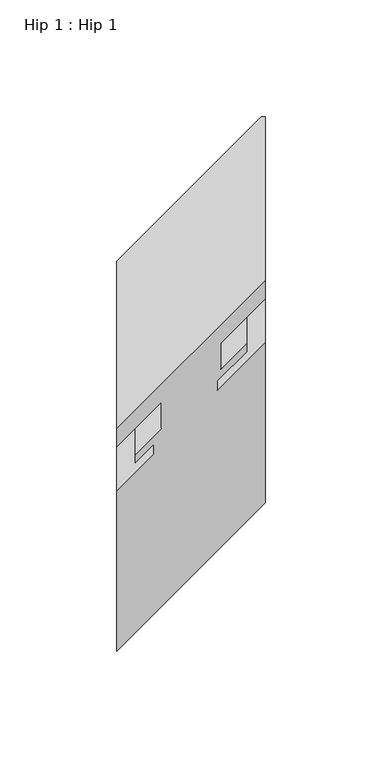
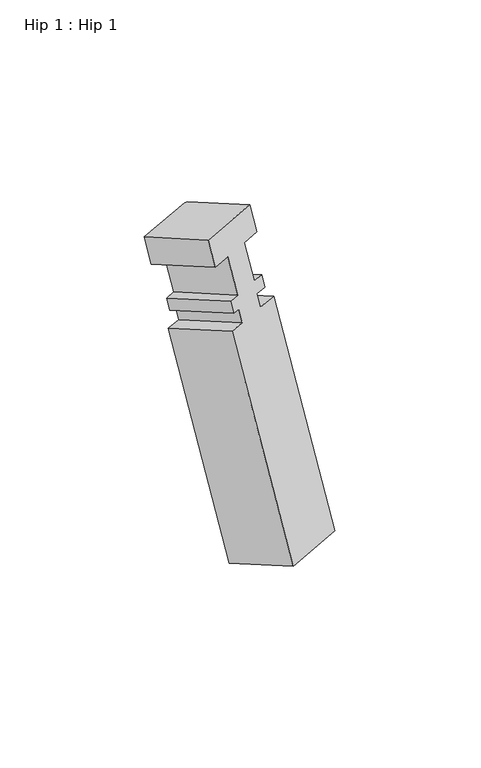
"""IFC4 building model written with IfcOpenShell, lengths in millimetres: proxy geometry, Hip 1 : Hip 1."""

from ifc_helpers import new_model, si_unit, origin, place, context, project, spatial, faceted_brep, source, transform, mapped, element, save


def hip_1_hip_1_4f1bbb03(model_context):
    return source(origin(), model_context, "Body", "Brep", [
        faceted_brep([(15411.1939788, 14576.1098904, 949.4438947), (15409.4408846, 14576.1098904, 949.4438947), (15347.6939788, 14514.3629846, 985.0934874), (15347.6939788, 14442.744337, 1026.4425329), (15411.1939788, 14506.244337, 989.7807908), (15411.1939788, 14568.1723904, 935.6957415), (15411.1939788, 14498.306837, 976.0326375), (15409.4408846, 14568.1723904, 935.6957415), (15392.1439788, 14479.256837, 987.0311601), (15392.1439788, 14550.8754846, 945.6821147), (15392.1439788, 14468.017337, 967.5637751), (15392.1439788, 14539.6359846, 926.2147296), (15403.2691788, 14479.142537, 961.1406379), (15403.2691788, 14550.7611846, 919.7915924), (15403.2691788, 14475.561137, 954.9374711), (15403.2691788, 14547.1797846, 913.5884256), (15390.7305681, 14463.0225263, 962.1766413), (15390.7305681, 14534.6411739, 920.8275959), (15390.7305681, 14459.0728263, 955.3355603), (15390.7305681, 14530.6914739, 913.9865148), (15411.1939788, 14549.4017904, 903.1841086), (15409.4408846, 14549.4017904, 903.1841086), (15411.1939788, 14479.536237, 943.5210046), (15411.1939788, 14480.7328904, 784.2460849), (15411.1939788, 14410.867337, 824.5829809), (15409.4408846, 14480.7328904, 784.2460849), (15347.6939788, 14347.367337, 861.244723), (15347.6939788, 14418.9859846, 819.8956775), (15347.6939788, 14416.036237, 980.1827467), (15347.6939788, 14487.6548846, 938.8337012), (15363.5689788, 14431.911237, 971.0173112), (15363.5689788, 14503.5298846, 929.6682657), (15363.5689788, 14435.860937, 977.8583923), (15363.5689788, 14507.4795846, 936.5093468), (15355.6187788, 14427.910737, 982.4484424), (15355.6187788, 14499.5293846, 941.0993969), (15355.6187788, 14431.492137, 988.6516091), (15355.6187788, 14503.1107846, 947.3025637), (15366.7439788, 14442.617337, 982.2284719), (15366.7439788, 14514.2359846, 940.8794265), (15366.7439788, 14453.856837, 1001.695857), (15366.7439788, 14525.4754846, 960.3468115), (15347.6939788, 14434.806837, 1012.6943796), (15347.6939788, 14506.4254846, 971.3453341)], [[[0, 1, 2, 3, 4]], [[5, 0, 4, 6]], [[7, 5, 6, 8, 9]], [[9, 8, 10, 11]], [[11, 10, 12, 13]], [[13, 12, 14, 15]], [[15, 14, 16, 17]], [[17, 16, 18, 19]], [[20, 21, 19, 18, 22]], [[23, 20, 22, 24]], [[25, 23, 24, 26, 27]], [[27, 26, 28, 29]], [[29, 28, 30, 31]], [[31, 30, 32, 33]], [[33, 32, 34, 35]], [[35, 34, 36, 37]], [[37, 36, 38, 39]], [[39, 38, 40, 41]], [[41, 40, 42, 43]], [[3, 2, 43, 42]], [[1, 7, 9, 11, 13, 15, 17, 19, 21, 25, 27, 29, 31, 33, 35, 37, 39, 41, 43, 2]], [[4, 3, 42, 40, 38, 36, 34, 32, 30, 28, 26, 24, 22, 18, 16, 14, 12, 10, 8, 6]], [[0, 5, 7, 1]], [[20, 23, 25, 21]]]),
    ])


if __name__ == "__main__":
    model = new_model("IFC4")
    model_context = context("Model", 3, world=origin())
    ifc_project = project(units=[si_unit("LENGTHUNIT", "METRE", prefix="MILLI")], contexts=[model_context])
    site = spatial("IfcSite", under=ifc_project)
    building = spatial("IfcBuilding", under=site)
    placement = place(None, origin())
    hip_1_hip_1_shape = hip_1_hip_1_4f1bbb03(model_context)
    element("IfcBuildingElementProxy", 1, Name="Hip 1 : Hip 1", ObjectType="Hip 1 : Hip 1", at=placement, inside=building, context=model_context, shape_type="MappedRepresentation", body=[
        mapped(hip_1_hip_1_shape, transform((0.0, 0.0, 0.0), x_axis=(1.0, 0.0, 0.0), y_axis=(0.0, 1.0, 0.0), z_axis=(0.0, 0.0, 1.0))),
    ])
    save(model, "model.ifc")
